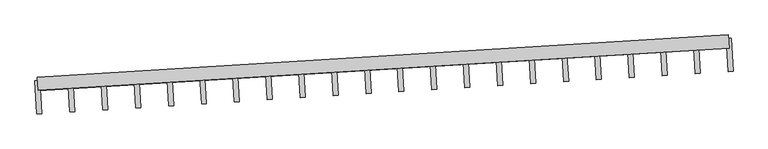
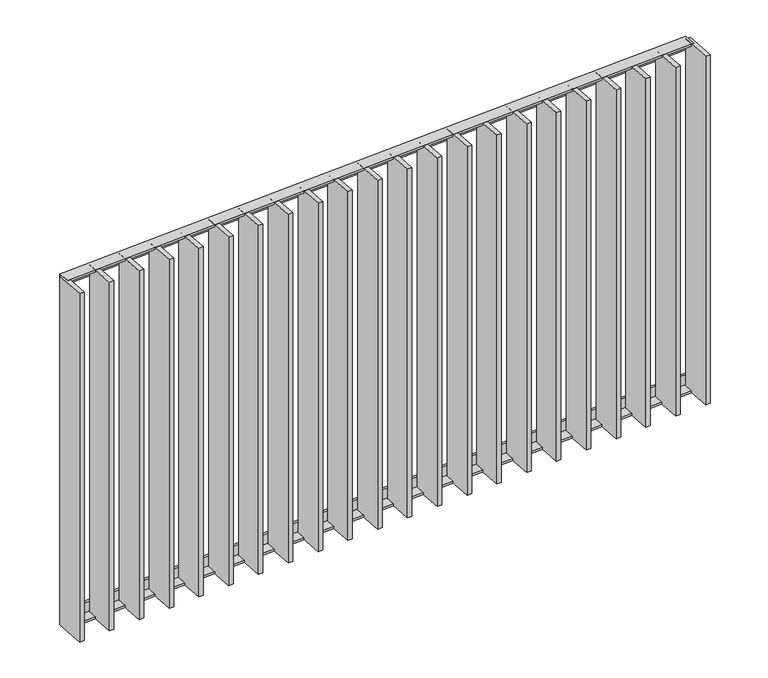
"""IFC4 building model written with IfcOpenShell, lengths in millimetres: railing geometry."""

from ifc_helpers import new_model, si_unit, frame, origin, place, context, project, spatial, polyline, outline, extrude, source, transform, mapped, element, save


def railing_96bbc6e0(model_context):
    return source(origin(), model_context, "Body", "SweptSolid", [
        extrude(outline(polyline([(-14.0, 6.0), (19.9999999, 6.0), (19.9999999, 0.0), (-20.0, 0.0), (-20.0, 40.0), (-14.0, 40.0), (-14.0, 6.0)])), frame((27392.5727673, 29449.886616, 8000.0), z_axis=(0.9981347984221638, 0.06104853953000477, 0.0), x_axis=(0.06104853953000477, -0.9981347984221638, 0.0)), (0.0, 0.0, 1.0), 2080.0),
        extrude(outline(polyline([(-14.0, -6.0), (-14.0, -40.0), (-20.0, -40.0), (-20.0, 0.0), (19.9999999, 0.0), (19.9999999, -6.0), (-14.0, -6.0)])), frame((27392.5727673, 29449.886616, 6820.0), z_axis=(0.9981347984221638, 0.06104853953000477, 0.0), x_axis=(0.06104853953000477, -0.9981347984221638, 0.0)), (0.0, 0.0, 1.0), 2080.0),
        extrude(outline(polyline([(27498.3111682, 29466.3725406), (27504.4160221, 29366.5590607), (27489.4440001, 29365.6433326), (27483.3391462, 29465.4568125), (27498.3111682, 29466.3725406)])), frame((0.0, 0.0, 6819.9), z_axis=(0.0, 0.0, 1.0), x_axis=(1.0, 0.0, 0.0)), (0.0, 0.0, 1.0), 1180.2),
        extrude(outline(polyline([(27597.1740434, 29472.419253), (27603.2788974, 29372.6057732), (27588.3068754, 29371.6900451), (27582.2020215, 29471.503525), (27597.1740434, 29472.419253)])), frame((0.0, 0.0, 6819.9), z_axis=(0.0, 0.0, 1.0), x_axis=(1.0, 0.0, 0.0)), (0.0, 0.0, 1.0), 1180.2),
        extrude(outline(polyline([(27696.0369187, 29478.4659655), (27702.1417727, 29378.6524857), (27687.1697507, 29377.7367576), (27681.0648967, 29477.5502374), (27696.0369187, 29478.4659655)])), frame((0.0, 0.0, 6819.9), z_axis=(0.0, 0.0, 1.0), x_axis=(1.0, 0.0, 0.0)), (0.0, 0.0, 1.0), 1180.2),
        extrude(outline(polyline([(27794.899794, 29484.512678), (27801.0046479, 29384.6991982), (27786.0326259, 29383.7834701), (27779.927772, 29483.5969499), (27794.899794, 29484.512678)])), frame((0.0, 0.0, 6819.9), z_axis=(0.0, 0.0, 1.0), x_axis=(1.0, 0.0, 0.0)), (0.0, 0.0, 1.0), 1180.2),
        extrude(outline(polyline([(27893.7626692, 29490.5593905), (27899.8675232, 29390.7459107), (27884.8955012, 29389.8301826), (27878.7906473, 29489.6436624), (27893.7626692, 29490.5593905)])), frame((0.0, 0.0, 6819.9), z_axis=(0.0, 0.0, 1.0), x_axis=(1.0, 0.0, 0.0)), (0.0, 0.0, 1.0), 1180.2),
        extrude(outline(polyline([(27992.6255445, 29496.606103), (27998.7303985, 29396.7926232), (27983.7583765, 29395.8768951), (27977.6535225, 29495.6903749), (27992.6255445, 29496.606103)])), frame((0.0, 0.0, 6819.9), z_axis=(0.0, 0.0, 1.0), x_axis=(1.0, 0.0, 0.0)), (0.0, 0.0, 1.0), 1180.2),
        extrude(outline(polyline([(28091.4884198, 29502.6528155), (28097.5932737, 29402.8393356), (28082.6212518, 29401.9236075), (28076.5163978, 29501.7370874), (28091.4884198, 29502.6528155)])), frame((0.0, 0.0, 6819.9), z_axis=(0.0, 0.0, 1.0), x_axis=(1.0, 0.0, 0.0)), (0.0, 0.0, 1.0), 1180.2),
        extrude(outline(polyline([(28190.3512951, 29508.699528), (28196.456149, 29408.8860481), (28181.484127, 29407.97032), (28175.3792731, 29507.7837999), (28190.3512951, 29508.699528)])), frame((0.0, 0.0, 6819.9), z_axis=(0.0, 0.0, 1.0), x_axis=(1.0, 0.0, 0.0)), (0.0, 0.0, 1.0), 1180.2),
        extrude(outline(polyline([(28289.2141703, 29514.7462405), (28295.3190243, 29414.9327606), (28280.3470023, 29414.0170325), (28274.2421484, 29513.8305124), (28289.2141703, 29514.7462405)])), frame((0.0, 0.0, 6819.9), z_axis=(0.0, 0.0, 1.0), x_axis=(1.0, 0.0, 0.0)), (0.0, 0.0, 1.0), 1180.2),
        extrude(outline(polyline([(28388.0770456, 29520.7929529), (28394.1818996, 29420.9794731), (28379.2098776, 29420.063745), (28373.1050236, 29519.8772249), (28388.0770456, 29520.7929529)])), frame((0.0, 0.0, 6819.9), z_axis=(0.0, 0.0, 1.0), x_axis=(1.0, 0.0, 0.0)), (0.0, 0.0, 1.0), 1180.2),
        extrude(outline(polyline([(28486.9399209, 29526.8396654), (28493.0447748, 29427.0261856), (28478.0727529, 29426.1104575), (28471.9678989, 29525.9239373), (28486.9399209, 29526.8396654)])), frame((0.0, 0.0, 6819.9), z_axis=(0.0, 0.0, 1.0), x_axis=(1.0, 0.0, 0.0)), (0.0, 0.0, 1.0), 1180.2),
        extrude(outline(polyline([(28585.8027962, 29532.8863779), (28591.9076501, 29433.0728981), (28576.9356281, 29432.15717), (28570.8307742, 29531.9706498), (28585.8027962, 29532.8863779)])), frame((0.0, 0.0, 6819.9), z_axis=(0.0, 0.0, 1.0), x_axis=(1.0, 0.0, 0.0)), (0.0, 0.0, 1.0), 1180.2),
        extrude(outline(polyline([(28684.6656714, 29538.9330904), (28690.7705254, 29439.1196106), (28675.7985034, 29438.2038825), (28669.6936494, 29538.0173623), (28684.6656714, 29538.9330904)])), frame((0.0, 0.0, 6819.9), z_axis=(0.0, 0.0, 1.0), x_axis=(1.0, 0.0, 0.0)), (0.0, 0.0, 1.0), 1180.2),
        extrude(outline(polyline([(28783.5285467, 29544.9798029), (28789.6334006, 29445.166323), (28774.6613787, 29444.250595), (28768.5565247, 29544.0640748), (28783.5285467, 29544.9798029)])), frame((0.0, 0.0, 6819.9), z_axis=(0.0, 0.0, 1.0), x_axis=(1.0, 0.0, 0.0)), (0.0, 0.0, 1.0), 1180.2),
        extrude(outline(polyline([(28882.391422, 29551.0265154), (28888.4962759, 29451.2130355), (28873.5242539, 29450.2973074), (28867.4194, 29550.1107873), (28882.391422, 29551.0265154)])), frame((0.0, 0.0, 6819.9), z_axis=(0.0, 0.0, 1.0), x_axis=(1.0, 0.0, 0.0)), (0.0, 0.0, 1.0), 1180.2),
        extrude(outline(polyline([(28981.2542972, 29557.0732279), (28987.3591512, 29457.259748), (28972.3871292, 29456.3440199), (28966.2822753, 29556.1574998), (28981.2542972, 29557.0732279)])), frame((0.0, 0.0, 6819.9), z_axis=(0.0, 0.0, 1.0), x_axis=(1.0, 0.0, 0.0)), (0.0, 0.0, 1.0), 1180.2),
        extrude(outline(polyline([(29080.1171725, 29563.1199404), (29086.2220265, 29463.3064605), (29071.2500045, 29462.3907324), (29065.1451505, 29562.2042123), (29080.1171725, 29563.1199404)])), frame((0.0, 0.0, 6819.9), z_axis=(0.0, 0.0, 1.0), x_axis=(1.0, 0.0, 0.0)), (0.0, 0.0, 1.0), 1180.2),
        extrude(outline(polyline([(29178.9800478, 29569.1666528), (29185.0849017, 29469.353173), (29170.1128798, 29468.4374449), (29164.0080258, 29568.2509247), (29178.9800478, 29569.1666528)])), frame((0.0, 0.0, 6819.9), z_axis=(0.0, 0.0, 1.0), x_axis=(1.0, 0.0, 0.0)), (0.0, 0.0, 1.0), 1180.2),
        extrude(outline(polyline([(29277.8429231, 29575.2133653), (29283.947777, 29475.3998855), (29268.975755, 29474.4841574), (29262.8709011, 29574.2976372), (29277.8429231, 29575.2133653)])), frame((0.0, 0.0, 6819.9), z_axis=(0.0, 0.0, 1.0), x_axis=(1.0, 0.0, 0.0)), (0.0, 0.0, 1.0), 1180.2),
        extrude(outline(polyline([(29376.7057983, 29581.2600778), (29382.8106523, 29481.446598), (29367.8386303, 29480.5308699), (29361.7337764, 29580.3443497), (29376.7057983, 29581.2600778)])), frame((0.0, 0.0, 6819.9), z_axis=(0.0, 0.0, 1.0), x_axis=(1.0, 0.0, 0.0)), (0.0, 0.0, 1.0), 1180.2),
        extrude(outline(polyline([(27399.4482929, 29460.3258281), (27405.5531468, 29360.5123482), (27390.5811249, 29359.5966201), (27384.4762709, 29459.4101), (27399.4482929, 29460.3258281)])), frame((0.0, 0.0, 6819.9), z_axis=(0.0, 0.0, 1.0), x_axis=(1.0, 0.0, 0.0)), (0.0, 0.0, 1.0), 1180.2),
        extrude(outline(polyline([(29475.5686736, 29587.3067903), (29481.6735276, 29487.4933105), (29466.7015056, 29486.5775824), (29460.5966516, 29586.3910622), (29475.5686736, 29587.3067903)])), frame((0.0, 0.0, 6819.9), z_axis=(0.0, 0.0, 1.0), x_axis=(1.0, 0.0, 0.0)), (0.0, 0.0, 1.0), 1180.2),
    ])


if __name__ == "__main__":
    model = new_model("IFC4")
    model_context = context("Model", 3, world=origin())
    ifc_project = project(units=[si_unit("LENGTHUNIT", "METRE", prefix="MILLI")], contexts=[model_context])
    site = spatial("IfcSite", under=ifc_project)
    building = spatial("IfcBuilding", under=site)
    placement = place(None, origin())
    railing_shape = railing_96bbc6e0(model_context)
    element("IfcRailing", 1, at=placement, inside=building, context=model_context, shape_type="MappedRepresentation", body=[
        mapped(railing_shape, transform((0.0, 0.0, 0.0), x_axis=(1.0, 0.0, 0.0), y_axis=(0.0, 1.0, 0.0), z_axis=(0.0, 0.0, 1.0))),
    ])
    save(model, "model.ifc")
